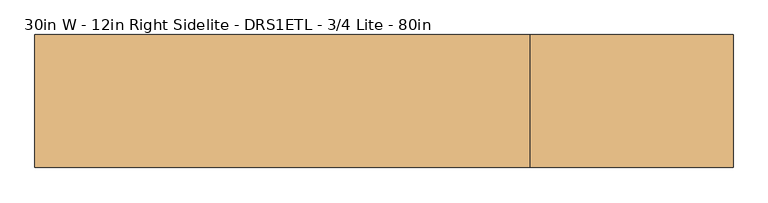
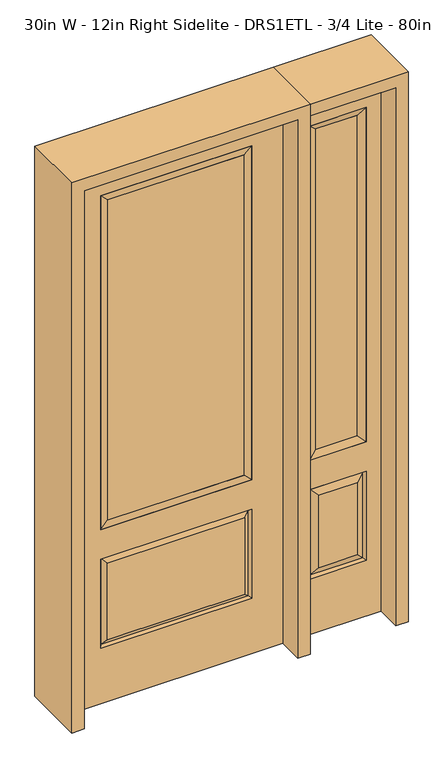
"""IFC4 building model written with IfcOpenShell, lengths in millimetres: door geometry, 30in W - 12in Right Sidelite - DRS1ETL - 3/4 Lite - 80in."""

from ifc_helpers import new_model, si_unit, frame, origin, place, context, project, spatial, polyline, outline, extrude, faceted_brep, source, transform, mapped, element, save


def door_30in_w_12in_right_sidelite_drs1etl_3_4_lite_80in_5507f22b(model_context):
    return source(origin(), model_context, "Body", "SolidModel", [
        faceted_brep([(425.45, -22.225, 0.0), (730.25, -22.225, 0.0), (730.25, -22.225, 2032.0), (425.45, -22.225, 2032.0), (678.18, -22.225, 1919.224), (678.18, -22.225, 657.098), (477.52, -22.225, 657.098), (477.52, -22.225, 1919.224), (678.18, -22.225, 209.55), (477.52, -22.225, 209.55), (477.52, -22.225, 546.1), (678.18, -22.225, 546.1), (509.2351001, -22.225, 241.2651001), (646.4648999, -22.225, 241.2651001), (646.4648999, -22.225, 514.3848999), (509.2351001, -22.225, 514.3848999), (425.45, 22.225, 0.0), (425.45, 22.225, 2032.0), (730.25, 22.225, 2032.0), (730.25, 22.225, 0.0), (678.18, 22.225, 1919.224), (477.52, 22.225, 1919.224), (477.52, 22.225, 657.098), (678.18, 22.225, 657.098), (477.52, 22.225, 209.55), (678.18, 22.225, 209.55), (678.18, 22.225, 546.1), (477.52, 22.225, 546.1), (646.4648999, 22.225, 241.2651001), (509.2351001, 22.225, 241.2651001), (509.2351001, 22.225, 514.3848999), (646.4648999, 22.225, 514.3848999), (671.0711499, 12.7912373, 216.6588501), (484.6288501, 12.7912373, 216.6588501), (484.6288501, 12.7912373, 538.9911499), (671.0711499, 12.7912373, 538.9911499), (484.6288501, -12.7912373, 216.6588501), (671.0711499, -12.7912373, 216.6588501), (484.6288501, -12.7912373, 538.9911499), (671.0711499, -12.7912373, 538.9911499)], [[[0, 1, 2, 3], [4, 5, 6, 7], [8, 9, 10, 11]], [[12, 13, 14, 15]], [[16, 17, 18, 19], [20, 21, 22, 23], [24, 25, 26, 27]], [[28, 29, 30, 31]], [[1, 0, 16, 19]], [[2, 1, 19, 18]], [[3, 2, 18, 17]], [[0, 3, 17, 16]], [[5, 4, 20, 23]], [[6, 5, 23, 22]], [[7, 6, 22, 21]], [[4, 7, 21, 20]], [[32, 33, 29, 28]], [[33, 32, 25, 24]], [[29, 33, 34, 30]], [[33, 24, 27, 34]], [[30, 34, 35, 31]], [[34, 27, 26, 35]], [[32, 28, 31, 35]], [[25, 32, 35, 26]], [[12, 36, 37, 13]], [[37, 36, 9, 8]], [[36, 12, 15, 38]], [[9, 36, 38, 10]], [[38, 15, 14, 39]], [[10, 38, 39, 11]], [[13, 37, 39, 14]], [[37, 8, 11, 39]]]),
        faceted_brep([(477.52, 22.225, 1919.224), (477.52, -22.225, 1919.224), (678.18, -22.225, 1919.224), (678.18, 22.225, 1919.224), (502.92, 12.7, 1893.824), (652.78, 12.7, 1893.824), (502.92, -12.7, 1893.824), (652.78, -12.7, 1893.824), (678.18, -22.225, 657.098), (678.18, 22.225, 657.098), (652.78, 12.7, 682.498), (652.78, -12.7, 682.498), (477.52, -22.225, 657.098), (477.52, 22.225, 657.098), (502.92, 12.7, 682.498), (502.92, -12.7, 682.498)], [[[0, 1, 2, 3]], [[4, 0, 3, 5]], [[6, 4, 5, 7]], [[1, 6, 7, 2]], [[3, 2, 8, 9]], [[5, 3, 9, 10]], [[7, 5, 10, 11]], [[2, 7, 11, 8]], [[9, 8, 12, 13]], [[10, 9, 13, 14]], [[11, 10, 14, 15]], [[8, 11, 15, 12]], [[13, 12, 1, 0]], [[14, 13, 0, 4]], [[15, 14, 4, 6]], [[12, 15, 6, 1]]]),
        extrude(outline(polyline([(652.78, -12.7), (502.92, -12.7), (502.92, 12.7), (652.78, 12.7), (652.78, -12.7)])), frame((0.0, 0.0, 682.498), z_axis=(0.0, 0.0, 1.0), x_axis=(1.0, 0.0, 0.0)), (0.0, 0.0, 1.0), 1211.326),
        faceted_brep([(-262.7661499, -12.7912373, 216.6588501), (262.7661499, -12.7912373, 216.6588501), (245.26875, -22.225, 234.15625), (-245.26875, -22.225, 234.15625), (-269.875, -22.225, 209.55), (269.875, -22.225, 209.55), (-262.7661499, -12.7912373, 538.9911499), (-269.875, -22.225, 546.1), (245.26875, -22.225, 521.49375), (-245.26875, -22.225, 521.49375), (381.0, -22.225, 2032.0), (-381.0, -22.225, 2032.0), (-381.0, -22.225, 0.0), (381.0, -22.225, 0.0), (269.875, -22.225, 546.1), (269.875, -22.225, 1917.7), (269.875, -22.225, 657.098), (-269.875, -22.225, 657.098), (-269.875, -22.225, 1917.7), (262.7661499, -12.7912373, 538.9911499), (-381.0, 22.225, 2032.0), (-381.0, 22.225, 0.0), (381.0, 22.225, 0.0), (381.0, 22.225, 2032.0), (269.875, 22.225, 1917.7), (269.875, 22.225, 657.098), (-269.875, 22.225, 657.098), (-269.875, 22.225, 1917.7), (-269.875, 22.225, 209.55), (269.875, 22.225, 209.55), (269.875, 22.225, 546.1), (-269.875, 22.225, 546.1), (245.26875, 22.225, 234.15625), (-245.26875, 22.225, 234.15625), (-245.26875, 22.225, 521.49375), (245.26875, 22.225, 521.49375), (-262.7661499, 12.7912373, 216.6588501), (262.7661499, 12.7912373, 216.6588501), (262.7661499, 12.7912373, 538.9911499), (-262.7661499, 12.7912373, 538.9911499)], [[[0, 1, 2, 3]], [[1, 0, 4, 5]], [[4, 0, 6, 7]], [[3, 2, 8, 9]], [[10, 11, 12, 13], [5, 4, 7, 14], [15, 16, 17, 18]], [[1, 5, 14, 19]], [[2, 1, 19, 8]], [[0, 3, 9, 6]], [[7, 6, 19, 14]], [[6, 9, 8, 19]], [[12, 11, 20, 21]], [[13, 12, 21, 22]], [[10, 13, 22, 23]], [[16, 15, 24, 25]], [[17, 16, 25, 26]], [[18, 17, 26, 27]], [[23, 22, 21, 20], [28, 29, 30, 31], [24, 27, 26, 25]], [[32, 33, 34, 35]], [[28, 36, 37, 29]], [[29, 37, 38, 30]], [[39, 31, 30, 38]], [[36, 28, 31, 39]], [[37, 36, 33, 32]], [[33, 36, 39, 34]], [[34, 39, 38, 35]], [[37, 32, 35, 38]], [[11, 10, 23, 20]], [[15, 18, 27, 24]]]),
        faceted_brep([(-269.875, -22.225, 1917.7), (-269.875, 22.225, 1917.7), (-269.875, 22.225, 657.098), (-269.875, -22.225, 657.098), (269.875, 22.225, 657.098), (269.875, -22.225, 657.098), (-244.475, 5.08, 682.498), (244.475, 5.08, 682.498), (269.875, 22.225, 1917.7), (269.875, -22.225, 1917.7), (-244.475, -20.32, 682.498), (244.475, -20.32, 682.498), (-244.475, -20.32, 1892.3), (244.475, -20.32, 1892.3), (-244.475, 5.08, 1892.3), (244.475, 5.08, 1892.3)], [[[0, 1, 2, 3]], [[3, 2, 4, 5]], [[2, 6, 7, 4]], [[5, 4, 8, 9]], [[10, 3, 5, 11]], [[12, 0, 3, 10]], [[11, 5, 9, 13]], [[6, 10, 11, 7]], [[14, 12, 10, 6]], [[7, 11, 13, 15]], [[1, 14, 6, 2]], [[4, 7, 15, 8]], [[9, 8, 1, 0]], [[13, 9, 0, 12]], [[15, 13, 12, 14]], [[8, 15, 14, 1]]]),
        extrude(outline(polyline([(244.475, -20.32), (-244.475, -20.32), (-244.475, 5.08), (244.475, 5.08), (244.475, -20.32)])), frame((0.0, 0.0, 682.498), z_axis=(0.0, 0.0, 1.0), x_axis=(1.0, 0.0, 0.0)), (0.0, 0.0, 1.0), 1209.802),
        extrude(outline(polyline([(2076.45, -425.45), (0.0, -425.45), (0.0, -381.0), (2032.0, -381.0), (2032.0, 381.0), (0.0, 381.0), (0.0, 425.45), (2076.45, 425.45), (2076.45, -425.45)])), frame((0.0, -114.3, 0.0), z_axis=(0.0, 1.0, 0.0), x_axis=(0.0, 0.0, 1.0)), (0.0, 0.0, 1.0), 228.6),
        extrude(outline(polyline([(0.0, 730.25), (0.0, 774.7), (2076.45, 774.7), (2076.45, 425.45), (2032.0, 425.45), (2032.0, 730.25), (0.0, 730.25)])), frame((0.0, -114.3, 0.0), z_axis=(0.0, 1.0, 0.0), x_axis=(0.0, 0.0, 1.0)), (0.0, 0.0, 1.0), 228.6),
    ])


if __name__ == "__main__":
    model = new_model("IFC4")
    model_context = context("Model", 3, world=origin())
    ifc_project = project(units=[si_unit("LENGTHUNIT", "METRE", prefix="MILLI")], contexts=[model_context])
    site = spatial("IfcSite", under=ifc_project)
    building = spatial("IfcBuilding", under=site)
    placement = place(None, origin())
    door_30in_w_12in_right_sidelite_drs1etl_3_4_lite_80in_shape = door_30in_w_12in_right_sidelite_drs1etl_3_4_lite_80in_5507f22b(model_context)
    element("IfcDoor", 1, ObjectType="30in W - 12in Right Sidelite - DRS1ETL - 3/4 Lite - 80in", at=placement, inside=building, context=model_context, shape_type="MappedRepresentation", body=[
        mapped(door_30in_w_12in_right_sidelite_drs1etl_3_4_lite_80in_shape, transform((0.0, 0.0, 0.0), x_axis=(1.0, 0.0, 0.0), y_axis=(0.0, 1.0, 0.0), z_axis=(0.0, 0.0, 1.0))),
    ])
    save(model, "model.ifc")
